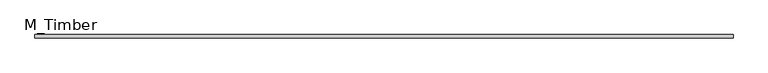
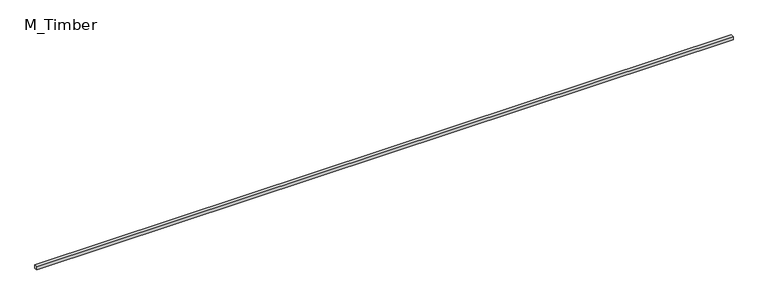
"""IFC4 building model written with IfcOpenShell, lengths in millimetres: beam geometry, M_Timber."""

from ifc_helpers import new_model, si_unit, frame, origin, place, context, project, spatial, polyline, outline, extrude, source, transform, mapped, element, save


def m_timber_81ea2a83(model_context):
    return source(origin(), model_context, "Body", "SweptSolid", [
        extrude(outline(polyline([(4229.0727782, 20.0), (4229.0727782, -20.0), (-4229.0727782, -20.0), (-4229.0727782, 20.0), (4229.0727782, 20.0)])), frame((0.0, 0.0, -20.0), z_axis=(0.0, 0.0, 1.0), x_axis=(1.0, 0.0, 0.0)), (0.0, 0.0, 1.0), 40.0),
    ])


if __name__ == "__main__":
    model = new_model("IFC4")
    model_context = context("Model", 3, world=origin())
    ifc_project = project(units=[si_unit("LENGTHUNIT", "METRE", prefix="MILLI")], contexts=[model_context])
    site = spatial("IfcSite", under=ifc_project)
    building = spatial("IfcBuilding", under=site)
    placement = place(None, origin())
    m_timber_shape = m_timber_81ea2a83(model_context)
    element("IfcBeam", 1, ObjectType="M_Timber", at=placement, inside=building, context=model_context, shape_type="MappedRepresentation", body=[
        mapped(m_timber_shape, transform((0.0, 0.0, 0.0), x_axis=(1.0, 0.0, 0.0), y_axis=(0.0, 1.0, 0.0), z_axis=(0.0, 0.0, 1.0))),
    ])
    save(model, "model.ifc")
